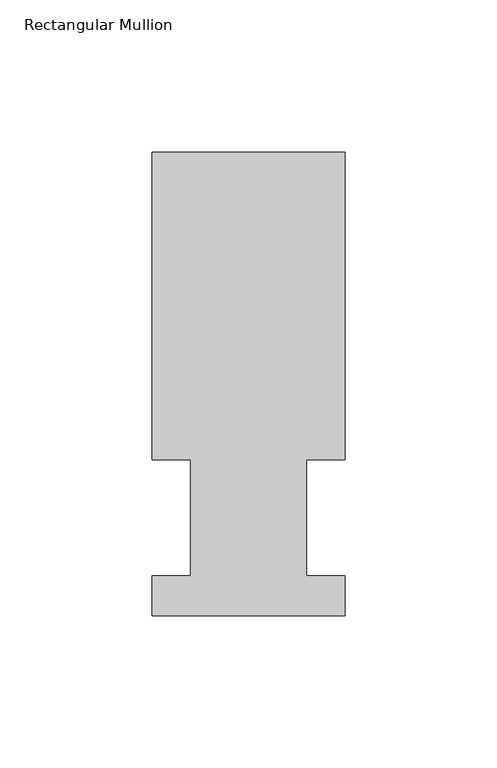
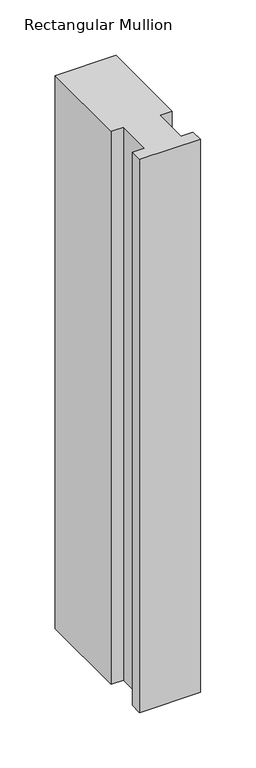
"""IFC4 building model written with IfcOpenShell, lengths in millimetres: member geometry, Rectangular Mullion."""

from ifc_helpers import new_model, si_unit, frame, origin, place, context, project, spatial, polyline, outline, extrude, source, transform, mapped, element, save


def rectangular_mullion_5a088020(model_context):
    return source(origin(), model_context, "Body", "SweptSolid", [
        extrude(outline(polyline([(-63.5, 152.4896937), (-3e-07, 152.4831645), (-0.0104046, 51.2960937), (-12.6977047, 51.2960937), (-12.7016222, 13.1960938), (-0.0143221, 13.1960938), (-0.0156783, 0.0069653), (-63.5156779, 0.0134946), (-63.5143225, 13.1960938), (-50.8143224, 13.1960938), (-50.8104049, 51.2960937), (-63.510405, 51.2960937), (-63.5, 152.4896937)])), frame((0.0, 0.0, -609.6), z_axis=(0.0, 0.0, 1.0), x_axis=(1.0, 0.0, 0.0)), (0.0, 0.0, 1.0), 609.6),
    ])


if __name__ == "__main__":
    model = new_model("IFC4")
    model_context = context("Model", 3, world=origin())
    ifc_project = project(units=[si_unit("LENGTHUNIT", "METRE", prefix="MILLI")], contexts=[model_context])
    site = spatial("IfcSite", under=ifc_project)
    building = spatial("IfcBuilding", under=site)
    placement = place(None, origin())
    rectangular_mullion_shape = rectangular_mullion_5a088020(model_context)
    element("IfcMember", 1, ObjectType="Rectangular Mullion", at=placement, inside=building, context=model_context, shape_type="MappedRepresentation", body=[
        mapped(rectangular_mullion_shape, transform((0.0, 0.0, 0.0), x_axis=(1.0, 0.0, 0.0), y_axis=(0.0, 1.0, 0.0), z_axis=(0.0, 0.0, 1.0))),
    ])
    save(model, "model.ifc")
